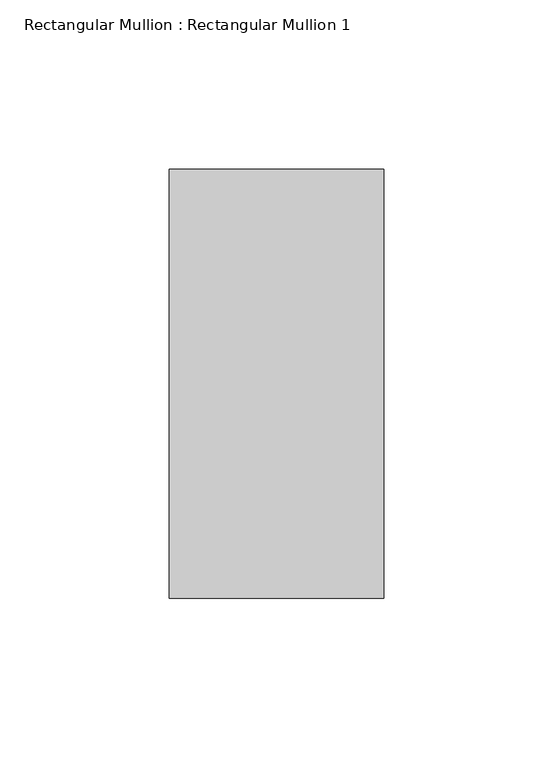
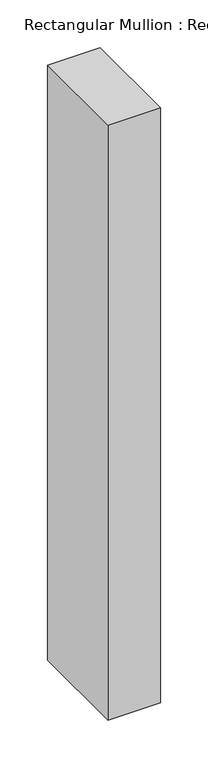
"""IFC4 building model written with IfcOpenShell, lengths in millimetres: member geometry, Rectangular Mullion : Rectangular Mullion 1."""

from ifc_helpers import new_model, si_unit, frame, origin, place, context, project, spatial, polyline, outline, extrude, source, transform, mapped, element, save


def rectangular_mullion_rectangular_mullion_1_61742b2b(model_context):
    return source(origin(), model_context, "Body", "SweptSolid", [
        extrude(outline(polyline([(31.75, 63.5), (31.75, -63.5), (-31.75, -63.5), (-31.75, 63.5), (31.75, 63.5)])), frame((0.0, 0.0, -762.0), z_axis=(0.0, 0.0, 1.0), x_axis=(1.0, 0.0, 0.0)), (0.0, 0.0, 1.0), 762.0),
    ])


if __name__ == "__main__":
    model = new_model("IFC4")
    model_context = context("Model", 3, world=origin())
    ifc_project = project(units=[si_unit("LENGTHUNIT", "METRE", prefix="MILLI")], contexts=[model_context])
    site = spatial("IfcSite", under=ifc_project)
    building = spatial("IfcBuilding", under=site)
    placement = place(None, origin())
    rectangular_mullion_rectangular_mullion_1_shape = rectangular_mullion_rectangular_mullion_1_61742b2b(model_context)
    element("IfcMember", 1, ObjectType="Rectangular Mullion : Rectangular Mullion 1", at=placement, inside=building, context=model_context, shape_type="MappedRepresentation", body=[
        mapped(rectangular_mullion_rectangular_mullion_1_shape, transform((0.0, 0.0, 0.0), x_axis=(1.0, 0.0, 0.0), y_axis=(0.0, 1.0, 0.0), z_axis=(0.0, 0.0, 1.0))),
    ])
    save(model, "model.ifc")
